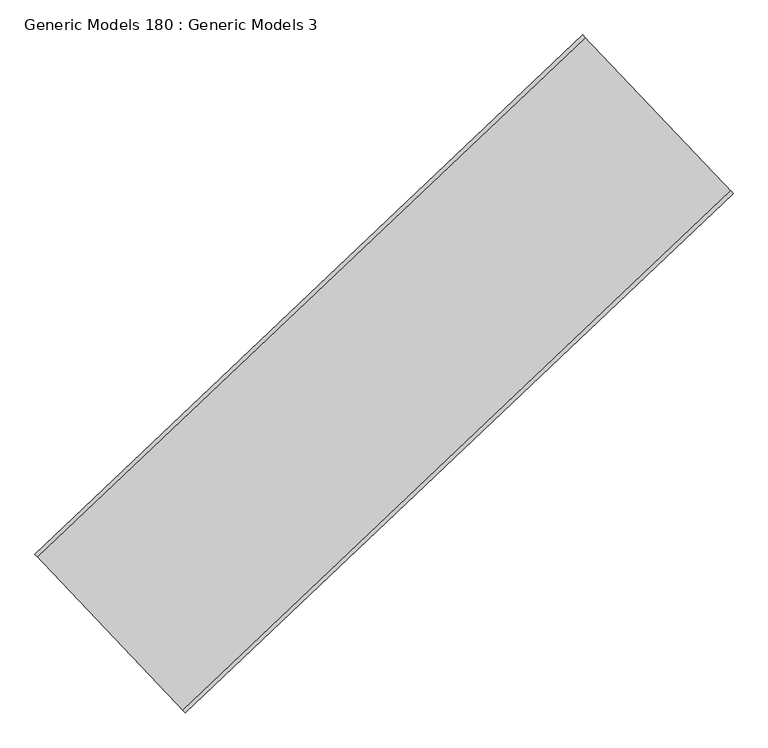
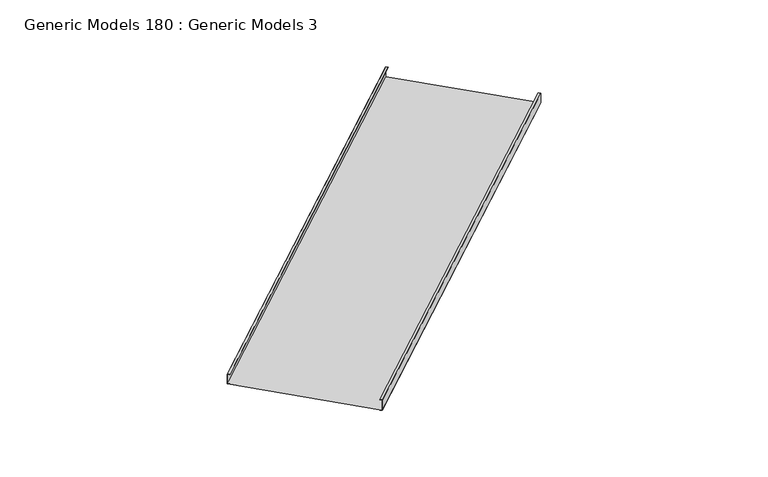
"""IFC4 building model written with IfcOpenShell, lengths in millimetres: proxy geometry, Generic Models 180 : Generic Models 3."""

from ifc_helpers import new_model, si_unit, frame, origin, place, context, project, spatial, polyline, outline, extrude, source, transform, mapped, element, save


def generic_models_180_generic_models_3_4e27ee7a(model_context):
    return source(origin(), model_context, "Body", "SweptSolid", [
        extrude(outline(polyline([(1.5875, 0.0), (1.5875, -41.3628027), (187.2606514, -41.3628027), (187.2606514, 2513.7837891), (3.175, 2513.7837891), (3.175, 2472.4209864), (1.5875, 2472.4209864), (1.5875, 2515.3712891), (188.8481514, 2515.3712891), (188.8481514, -42.9503027), (0.0, -42.9503027), (0.0, 0.0), (1.5875, 0.0)])), frame((101801.3632474, 55151.2634962, 17375.8190182), z_axis=(0.7253743710122866, 0.6883545756937551, 0.0), x_axis=(0.0, 0.0, -1.0)), (0.0, 0.0, 1.0), 8832.85),
    ])


if __name__ == "__main__":
    model = new_model("IFC4")
    model_context = context("Model", 3, world=origin())
    ifc_project = project(units=[si_unit("LENGTHUNIT", "METRE", prefix="MILLI")], contexts=[model_context])
    site = spatial("IfcSite", under=ifc_project)
    building = spatial("IfcBuilding", under=site)
    placement = place(None, origin())
    generic_models_180_generic_models_3_shape = generic_models_180_generic_models_3_4e27ee7a(model_context)
    element("IfcBuildingElementProxy", 1, Name="Generic Models 180 : Generic Models 3", ObjectType="Generic Models 180 : Generic Models 3", at=placement, inside=building, context=model_context, shape_type="MappedRepresentation", body=[
        mapped(generic_models_180_generic_models_3_shape, transform((0.0, 0.0, 0.0), x_axis=(1.0, 0.0, 0.0), y_axis=(0.0, 1.0, 0.0), z_axis=(0.0, 0.0, 1.0))),
    ])
    save(model, "model.ifc")
